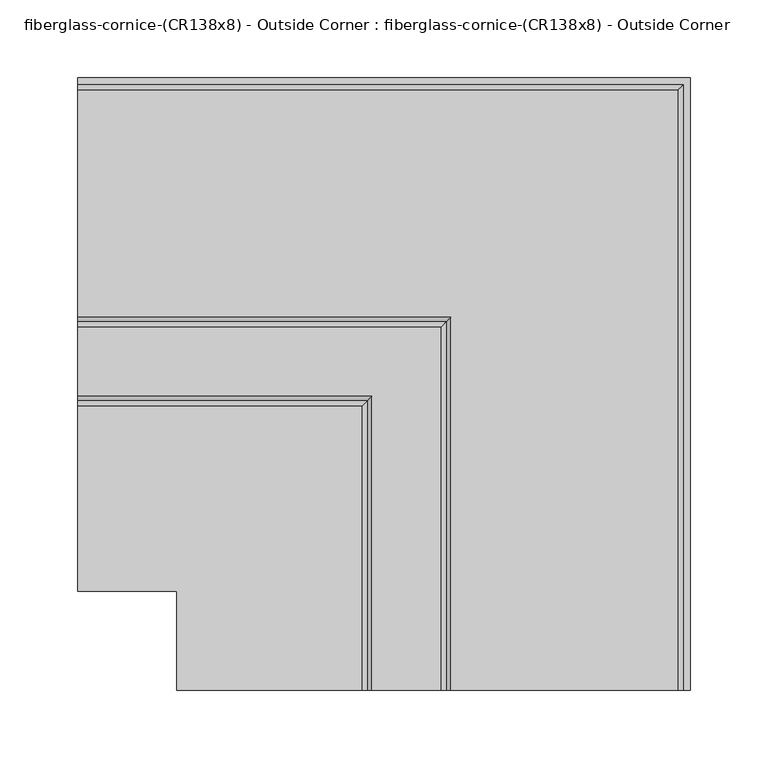
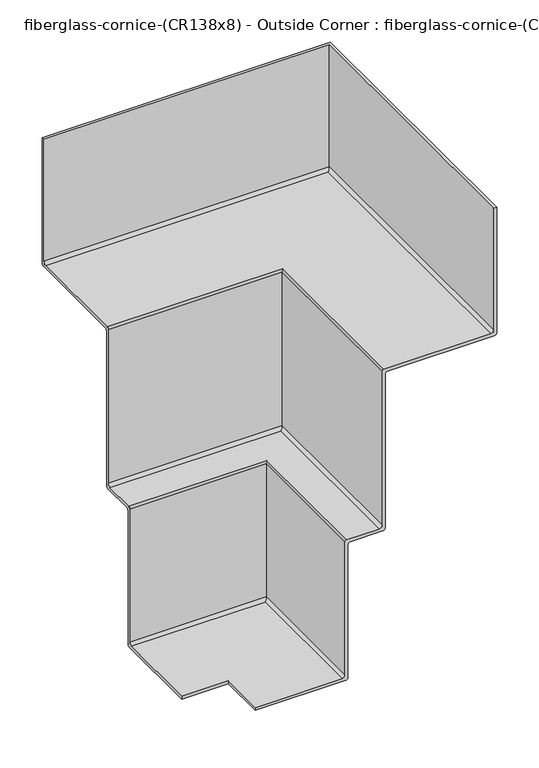
"""IFC4 building model written with IfcOpenShell, lengths in millimetres: furniture geometry, fiberglass-cornice-(CR138x8) - Outside Corner : fiberglass-cornice-(CR138x8) - Outside Corner."""

from ifc_helpers import new_model, si_unit, frame, origin, place, context, project, spatial, polyline, circle_curve, ellipse_curve, source, transform, mapped, element, save
from ifc_brep_helpers import plane_surface, cylinder_surface, revolved_surface, advanced_brep


def fiberglass_cornice_cr138x8_outside_corner_fiberglass_cornice_4a7a4df5(model_context):
    return source(origin(), model_context, "Body", "AdvancedBrep", [
        advanced_brep(
        [(-196.9488213, 431.7999867, 330.1999904), (-196.9488213, 431.7999867, 149.2249705), (-196.9488213, 428.6249963, 146.0499801), (-196.9488213, 282.5750199, 146.0499801), (-196.9488213, 279.3999997, 142.8749599), (-196.9488213, 279.3999997, -79.37501), (-196.9488213, 276.2249795, -82.5500302), (-196.9488213, 231.7749945, -82.5500302), (-196.9488213, 228.5999743, -85.7250504), (-196.9488213, 228.5999743, -277.8125273), (-196.9488213, 225.4249743, -280.9875272), (-196.9488213, 101.6, -280.9875272), (-196.9488213, 101.6, -276.8600271), (-196.9488213, 220.6624833, -276.8600271), (-196.9488213, 224.4724718, -273.0500386), (-196.9488213, 224.4724718, -80.9625797), (-196.9488213, 227.0125237, -78.4225278), (-196.9488213, 271.4624939, -78.4225278), (-196.9488213, 275.2724973, -74.6125244), (-196.9488213, 275.2724973, 147.6374902), (-196.9488213, 277.8124896, 150.1774825), (-196.9488213, 423.8624958, 150.1774825), (-196.9488213, 427.6724843, 153.987471), (-196.9488213, 427.6724843, 330.1999904), (196.8503841, 38.0007813, 330.1999904), (192.7228817, 38.0007813, 330.1999904), (192.7228817, 38.0007813, 153.987471), (188.9128932, 38.0007813, 150.1774825), (42.862887, 38.0007813, 150.1774825), (40.3228947, 38.0007813, 147.6374902), (40.3228947, 38.0007813, -74.6125244), (36.5128913, 38.0007813, -78.4225278), (-7.9370788, 38.0007813, -78.4225278), (-10.4771308, 38.0007813, -80.9625797), (-10.4771308, 38.0007813, -273.0500386), (-14.2871193, 38.0007813, -276.8600271), (-133.3496026, 38.0007813, -276.8600271), (-133.3496026, 38.0007813, -280.9875272), (-9.5246283, 38.0007813, -280.9875272), (-6.3496283, 38.0007813, -277.8125273), (-6.3496283, 38.0007813, -85.7250504), (-3.1746081, 38.0007813, -82.5500302), (41.2753769, 38.0007813, -82.5500302), (44.4503971, 38.0007813, -79.37501), (44.4503971, 38.0007813, 142.8749599), (47.6254173, 38.0007813, 146.0499801), (193.6753937, 38.0007813, 146.0499801), (196.8503841, 38.0007813, 149.2249705), (196.8503841, 431.7999867, 330.1999904), (196.8503841, 431.7999867, 149.2249705), (193.6753937, 428.6249963, 146.0499801), (47.6254173, 282.5750199, 146.0499801), (44.4503971, 279.3999997, 142.8749599), (44.4503971, 279.3999997, -79.37501), (41.2753769, 276.2249795, -82.5500302), (-3.1746081, 231.7749945, -82.5500302), (-6.3496283, 228.5999743, -85.7250504), (-6.3496283, 228.5999743, -277.8125273), (-9.5246283, 225.4249743, -280.9875272), (-133.3496026, 101.6, -280.9875272), (-133.3496026, 101.6, -276.8600271), (-14.2871193, 220.6624833, -276.8600271), (-10.4771308, 224.4724718, -273.0500386), (-10.4771308, 224.4724718, -80.9625797), (-7.9370788, 227.0125237, -78.4225278), (36.5128913, 271.4624939, -78.4225278), (40.3228947, 275.2724973, -74.6125244), (40.3228947, 275.2724973, 147.6374902), (42.862887, 277.8124896, 150.1774825), (188.9128932, 423.8624958, 150.1774825), (192.7228817, 427.6724843, 153.987471), (192.7228817, 427.6724843, 330.1999904)],
        [
            (0, 1),
            (1, 2, circle_curve(frame((-196.9488213, 428.6249963, 149.2249705), z_axis=(-1.0, 0.0, 0.0), x_axis=(0.0, 1.0, 0.0)), 3.1749904)),
            (2, 3),
            (3, 4, circle_curve(frame((-196.9488213, 282.5750199, 142.8749599), z_axis=(1.0, 0.0, 0.0), x_axis=(0.0, 1.0, 0.0)), 3.1750202)),
            (4, 5),
            (5, 6, circle_curve(frame((-196.9488213, 276.2249795, -79.37501), z_axis=(-1.0, 0.0, 0.0), x_axis=(0.0, 1.0, 0.0)), 3.1750202)),
            (6, 7),
            (7, 8, circle_curve(frame((-196.9488213, 231.7749945, -85.7250504), z_axis=(1.0, 0.0, 0.0), x_axis=(0.0, 1.0, 0.0)), 3.1750202)),
            (8, 9),
            (9, 10, circle_curve(frame((-196.9488213, 225.4249743, -277.8125273), z_axis=(-1.0, 0.0, 0.0), x_axis=(0.0, 1.0, 0.0)), 3.175)),
            (10, 11),
            (11, 12),
            (12, 13),
            (13, 14, circle_curve(frame((-196.9488213, 220.6624833, -273.0500386), z_axis=(1.0, 0.0, 0.0), x_axis=(0.0, 1.0, 0.0)), 3.8099885)),
            (14, 15),
            (15, 16, circle_curve(frame((-196.9488213, 227.0125237, -80.9625797), z_axis=(-1.0, 0.0, 0.0), x_axis=(0.0, 1.0, 0.0)), 2.5400519)),
            (16, 17),
            (17, 18, circle_curve(frame((-196.9488213, 271.4624939, -74.6125244), z_axis=(1.0, 0.0, 0.0), x_axis=(0.0, 1.0, 0.0)), 3.8100034)),
            (18, 19),
            (19, 20, circle_curve(frame((-196.9488213, 277.8124896, 147.6374902), z_axis=(-1.0, 0.0, 0.0), x_axis=(0.0, 1.0, 0.0)), 2.5399923)),
            (20, 21),
            (21, 22, circle_curve(frame((-196.9488213, 423.8624958, 153.987471), z_axis=(1.0, 0.0, 0.0), x_axis=(0.0, 1.0, 0.0)), 3.8099885)),
            (22, 23),
            (23, 0),
            (24, 25),
            (25, 26),
            (26, 27, circle_curve(frame((188.9128932, 38.0007813, 153.987471), z_axis=(0.0, 1.0, 0.0), x_axis=(1.0, 0.0, 0.0)), 3.8099885)),
            (27, 28),
            (28, 29, circle_curve(frame((42.862887, 38.0007813, 147.6374902), z_axis=(0.0, -1.0, 0.0), x_axis=(1.0, 0.0, 0.0)), 2.5399923)),
            (29, 30),
            (30, 31, circle_curve(frame((36.5128913, 38.0007813, -74.6125244), z_axis=(0.0, 1.0, 0.0), x_axis=(1.0, 0.0, 0.0)), 3.8100034)),
            (31, 32),
            (32, 33, circle_curve(frame((-7.9370788, 38.0007813, -80.9625797), z_axis=(0.0, -1.0, 0.0), x_axis=(1.0, 0.0, 0.0)), 2.5400519)),
            (33, 34),
            (34, 35, circle_curve(frame((-14.2871193, 38.0007813, -273.0500386), z_axis=(0.0, 1.0, 0.0), x_axis=(1.0, 0.0, 0.0)), 3.8099885)),
            (35, 36),
            (36, 37),
            (37, 38),
            (38, 39, circle_curve(frame((-9.5246283, 38.0007813, -277.8125273), z_axis=(0.0, -1.0, 0.0), x_axis=(1.0, 0.0, 0.0)), 3.175)),
            (39, 40),
            (40, 41, circle_curve(frame((-3.1746081, 38.0007813, -85.7250504), z_axis=(0.0, 1.0, 0.0), x_axis=(1.0, 0.0, 0.0)), 3.1750202)),
            (41, 42),
            (42, 43, circle_curve(frame((41.2753769, 38.0007813, -79.37501), z_axis=(0.0, -1.0, 0.0), x_axis=(1.0, 0.0, 0.0)), 3.1750202)),
            (43, 44),
            (44, 45, circle_curve(frame((47.6254173, 38.0007813, 142.8749599), z_axis=(0.0, 1.0, 0.0), x_axis=(1.0, 0.0, 0.0)), 3.1750202)),
            (45, 46),
            (46, 47, circle_curve(frame((193.6753937, 38.0007813, 149.2249705), z_axis=(0.0, -1.0, 0.0), x_axis=(1.0, 0.0, 0.0)), 3.1749904)),
            (47, 24),
            (0, 48),
            (48, 49),
            (49, 1),
            (49, 50, ellipse_curve(frame((193.6753937, 428.6249963, 149.2249705), z_axis=(-0.7071067811865563, 0.7071067811865387, 0.0), x_axis=(-0.7071067811865387, -0.7071067811865565, 0.0)), 4.4901145, 3.1749904)),
            (50, 2),
            (50, 46),
            (45, 51),
            (51, 3),
            (51, 52, ellipse_curve(frame((47.6254173, 282.5750199, 142.8749599), z_axis=(0.7071067811865563, -0.7071067811865387, 0.0), x_axis=(0.7071067811865387, 0.7071067811865565, 0.0)), 4.4901567, 3.1750202)),
            (52, 4),
            (52, 53),
            (53, 5),
            (53, 54, ellipse_curve(frame((41.2753769, 276.2249795, -79.37501), z_axis=(-0.7071067811865563, 0.7071067811865387, 0.0), x_axis=(-0.7071067811865387, -0.7071067811865565, 0.0)), 4.4901567, 3.1750202)),
            (54, 6),
            (54, 42),
            (41, 55),
            (55, 7),
            (55, 56, ellipse_curve(frame((-3.1746081, 231.7749945, -85.7250504), z_axis=(0.7071067811865563, -0.7071067811865387, 0.0), x_axis=(0.7071067811865387, 0.7071067811865565, 0.0)), 4.4901567, 3.1750202)),
            (56, 8),
            (56, 57),
            (57, 9),
            (57, 58, ellipse_curve(frame((-9.5246283, 225.4249743, -277.8125273), z_axis=(-0.7071067811865563, 0.7071067811865387, 0.0), x_axis=(-0.7071067811865387, -0.7071067811865565, 0.0)), 4.490128, 3.175)),
            (58, 10),
            (58, 38),
            (37, 59),
            (59, 11),
            (59, 60),
            (60, 12),
            (60, 36),
            (35, 61),
            (61, 13),
            (61, 62, ellipse_curve(frame((-14.2871193, 220.6624833, -273.0500386), z_axis=(0.7071067811865563, -0.7071067811865387, 0.0), x_axis=(0.7071067811865387, 0.7071067811865565, 0.0)), 5.3881374, 3.8099885)),
            (62, 14),
            (62, 63),
            (63, 15),
            (63, 64, ellipse_curve(frame((-7.9370788, 227.0125237, -80.9625797), z_axis=(-0.7071067811865563, 0.7071067811865387, 0.0), x_axis=(-0.7071067811865387, -0.7071067811865565, 0.0)), 3.5921759, 2.5400519)),
            (64, 16),
            (64, 32),
            (31, 65),
            (65, 17),
            (65, 66, ellipse_curve(frame((36.5128913, 271.4624939, -74.6125244), z_axis=(0.7071067811865563, -0.7071067811865387, 0.0), x_axis=(0.7071067811865387, 0.7071067811865565, 0.0)), 5.3881585, 3.8100034)),
            (66, 18),
            (66, 67),
            (67, 19),
            (67, 68, ellipse_curve(frame((42.862887, 277.8124896, 147.6374902), z_axis=(-0.7071067811865563, 0.7071067811865387, 0.0), x_axis=(-0.7071067811865387, -0.7071067811865565, 0.0)), 3.5920916, 2.5399923)),
            (68, 20),
            (68, 28),
            (27, 69),
            (69, 21),
            (69, 70, ellipse_curve(frame((188.9128932, 423.8624958, 153.987471), z_axis=(0.7071067811865563, -0.7071067811865387, 0.0), x_axis=(0.7071067811865387, 0.7071067811865565, 0.0)), 5.3881374, 3.8099885)),
            (70, 22),
            (70, 71),
            (71, 23),
            (71, 25),
            (24, 48),
            (47, 49),
            (44, 52),
            (43, 53),
            (40, 56),
            (39, 57),
            (34, 62),
            (33, 63),
            (30, 66),
            (29, 67),
            (26, 70),
        ],
        [
            plane_surface(frame((-196.9488213, 101.6, 330.1999904), z_axis=(-1.0, 0.0, 0.0), x_axis=(0.0, 0.0, 1.0))),
            plane_surface(frame((-133.3496026, 38.0007813, 330.1999904), z_axis=(0.0, -1.0, 0.0), x_axis=(0.0, 0.0, 1.0))),
            plane_surface(frame((-196.9488213, 431.7999867, 330.1999904), z_axis=(0.0, 1.0, 0.0), x_axis=(1.0, 0.0, 0.0))),
            cylinder_surface(frame((-196.9488213, 428.6249963, 149.2249705), z_axis=(-1.0, 0.0, 0.0), x_axis=(0.0, 1.0, 0.0)), 3.1749904),
            plane_surface(frame((-196.9488213, 428.6249963, 146.0499801), z_axis=(0.0, 0.0, -1.0), x_axis=(1.0, 0.0, 0.0))),
            revolved_surface(polyline([(50.80043755116017, 285.7500401, 142.8749599), (-196.9488213, 285.7500401, 142.8749599)]), (-196.9488213, 282.5750199, 142.8749599), (1.0, 0.0, 0.0)),
            plane_surface(frame((-196.9488213, 279.3999997, 142.8749599), z_axis=(0.0, 1.0, 0.0), x_axis=(1.0, 0.0, 0.0))),
            cylinder_surface(frame((-196.9488213, 276.2249795, -79.37501), z_axis=(-1.0, 0.0, 0.0), x_axis=(0.0, 1.0, 0.0)), 3.1750202),
            plane_surface(frame((-196.9488213, 276.2249795, -82.5500302), z_axis=(0.0, 0.0, -1.0), x_axis=(1.0, 0.0, 0.0))),
            revolved_surface(polyline([(0.0004121511601624661, 234.9500147, -85.7250504), (-196.9488213, 234.9500147, -85.7250504)]), (-196.9488213, 231.7749945, -85.7250504), (1.0, 0.0, 0.0)),
            plane_surface(frame((-196.9488213, 228.5999743, -85.7250504), z_axis=(0.0, 1.0, 0.0), x_axis=(1.0, 0.0, 0.0))),
            cylinder_surface(frame((-196.9488213, 225.4249743, -277.8125273), z_axis=(-1.0, 0.0, 0.0), x_axis=(0.0, 1.0, 0.0)), 3.175),
            plane_surface(frame((-196.9488213, 225.4249743, -280.9875272), z_axis=(0.0, 0.0, -1.0), x_axis=(1.0, 0.0, 0.0))),
            plane_surface(frame((-196.9488213, 101.6, -280.9875272), z_axis=(0.0, -1.0, 0.0), x_axis=(1.0, 0.0, 0.0))),
            plane_surface(frame((-196.9488213, 101.6, -276.8600271), z_axis=(0.0, 0.0, 1.0), x_axis=(1.0, 0.0, 0.0))),
            revolved_surface(polyline([(-10.477130799999998, 224.4724718, -273.0500386), (-196.9488213, 224.4724718, -273.0500386)]), (-196.9488213, 220.6624833, -273.0500386), (1.0, 0.0, 0.0)),
            plane_surface(frame((-196.9488213, 224.4724718, -273.0500386), z_axis=(0.0, -1.0, 0.0), x_axis=(1.0, 0.0, 0.0))),
            cylinder_surface(frame((-196.9488213, 227.0125237, -80.9625797), z_axis=(-1.0, 0.0, 0.0), x_axis=(0.0, 1.0, 0.0)), 2.5400519),
            plane_surface(frame((-196.9488213, 227.0125237, -78.4225278), z_axis=(0.0, 0.0, 1.0), x_axis=(1.0, 0.0, 0.0))),
            revolved_surface(polyline([(40.322894713457885, 275.27249730000005, -74.6125244), (-196.9488213, 275.27249730000005, -74.6125244)]), (-196.9488213, 271.4624939, -74.6125244), (1.0, 0.0, 0.0)),
            plane_surface(frame((-196.9488213, 275.2724973, -74.6125244), z_axis=(0.0, -1.0, 0.0), x_axis=(1.0, 0.0, 0.0))),
            cylinder_surface(frame((-196.9488213, 277.8124896, 147.6374902), z_axis=(-1.0, 0.0, 0.0), x_axis=(0.0, 1.0, 0.0)), 2.5399923),
            plane_surface(frame((-196.9488213, 277.8124896, 150.1774825), z_axis=(0.0, 0.0, 1.0), x_axis=(1.0, 0.0, 0.0))),
            revolved_surface(polyline([(192.7228817, 427.67248429999995, 153.987471), (-196.9488213, 427.67248429999995, 153.987471)]), (-196.9488213, 423.8624958, 153.987471), (1.0, 0.0, 0.0)),
            plane_surface(frame((-196.9488213, 427.6724843, 153.987471), z_axis=(0.0, -1.0, 0.0), x_axis=(1.0, 0.0, 0.0))),
            plane_surface(frame((-196.9488213, 427.6724843, 330.1999904), z_axis=(0.0, 0.0, 1.0), x_axis=(1.0, 0.0, 0.0))),
            plane_surface(frame((196.8503841, 431.7999867, 330.1999904), z_axis=(1.0, 0.0, 0.0), x_axis=(0.0, -1.0, 0.0))),
            cylinder_surface(frame((193.6753937, 101.6, 149.2249705), z_axis=(0.0, 1.0, 0.0), x_axis=(1.0, 0.0, 0.0)), 3.1749904),
            revolved_surface(polyline([(50.8004375, 38.0007813, 142.8749599), (50.8004375, 285.7500401511602, 142.8749599)]), (47.6254173, 101.6, 142.8749599), (0.0, -1.0, 0.0)),
            plane_surface(frame((44.4503971, 279.3999997, 142.8749599), z_axis=(1.0, 0.0, 0.0), x_axis=(0.0, -1.0, 0.0))),
            cylinder_surface(frame((41.2753769, 101.6, -79.37501), z_axis=(0.0, 1.0, 0.0), x_axis=(1.0, 0.0, 0.0)), 3.1750202),
            revolved_surface(polyline([(0.00041210000000013736, 38.0007813, -85.7250504), (0.00041210000000013736, 234.95001475116024, -85.7250504)]), (-3.1746081, 101.6, -85.7250504), (0.0, -1.0, 0.0)),
            plane_surface(frame((-6.3496283, 228.5999743, -85.7250504), z_axis=(1.0, 0.0, 0.0), x_axis=(0.0, -1.0, 0.0))),
            cylinder_surface(frame((-9.5246283, 101.6, -277.8125273), z_axis=(0.0, 1.0, 0.0), x_axis=(1.0, 0.0, 0.0)), 3.175),
            plane_surface(frame((-133.3496026, 101.6, -280.9875272), z_axis=(-1.0, 0.0, 0.0), x_axis=(0.0, -1.0, 0.0))),
            revolved_surface(polyline([(-10.477130800000001, 38.0007813, -273.0500386), (-10.477130800000001, 224.4724718, -273.0500386)]), (-14.2871193, 101.6, -273.0500386), (0.0, -1.0, 0.0)),
            plane_surface(frame((-10.4771308, 224.4724718, -273.0500386), z_axis=(-1.0, 0.0, 0.0), x_axis=(0.0, -1.0, 0.0))),
            cylinder_surface(frame((-7.9370788, 101.6, -80.9625797), z_axis=(0.0, 1.0, 0.0), x_axis=(1.0, 0.0, 0.0)), 2.5400519),
            revolved_surface(polyline([(40.3228947, 38.0007813, -74.6125244), (40.3228947, 275.272497313458, -74.6125244)]), (36.5128913, 101.6, -74.6125244), (0.0, -1.0, 0.0)),
            plane_surface(frame((40.3228947, 275.2724973, -74.6125244), z_axis=(-1.0, 0.0, 0.0), x_axis=(0.0, -1.0, 0.0))),
            cylinder_surface(frame((42.862887, 101.6, 147.6374902), z_axis=(0.0, 1.0, 0.0), x_axis=(1.0, 0.0, 0.0)), 2.5399923),
            revolved_surface(polyline([(192.72288170000002, 38.0007813, 153.987471), (192.72288170000002, 427.67248430000006, 153.987471)]), (188.9128932, 101.6, 153.987471), (0.0, -1.0, 0.0)),
            plane_surface(frame((192.7228817, 427.6724843, 153.987471), z_axis=(-1.0, 0.0, 0.0), x_axis=(0.0, -1.0, 0.0))),
        ],
        [
            (0, [[1, 2, 3, 4, 5, 6, 7, 8, 9, 10, 11, 12, 13, 14, 15, 16, 17, 18, 19, 20, 21, 22, 23, 24]]),
            (1, [[25, 26, 27, 28, 29, 30, 31, 32, 33, 34, 35, 36, 37, 38, 39, 40, 41, 42, 43, 44, 45, 46, 47, 48]]),
            (2, [[-1, 49, 50, 51]]),
            (3, [[-2, -51, 52, 53]]),
            (4, [[-3, -53, 54, -46, 55, 56]]),
            (5, [[-4, -56, 57, 58]]),
            (6, [[-5, -58, 59, 60]]),
            (7, [[-6, -60, 61, 62]]),
            (8, [[-7, -62, 63, -42, 64, 65]]),
            (9, [[-8, -65, 66, 67]]),
            (10, [[-9, -67, 68, 69]]),
            (11, [[-10, -69, 70, 71]]),
            (12, [[-11, -71, 72, -38, 73, 74]]),
            (13, [[-12, -74, 75, 76]]),
            (14, [[-13, -76, 77, -36, 78, 79]]),
            (15, [[-14, -79, 80, 81]]),
            (16, [[-15, -81, 82, 83]]),
            (17, [[-16, -83, 84, 85]]),
            (18, [[-17, -85, 86, -32, 87, 88]]),
            (19, [[-18, -88, 89, 90]]),
            (20, [[-19, -90, 91, 92]]),
            (21, [[-20, -92, 93, 94]]),
            (22, [[-21, -94, 95, -28, 96, 97]]),
            (23, [[-22, -97, 98, 99]]),
            (24, [[-23, -99, 100, 101]]),
            (25, [[-24, -101, 102, -25, 103, -49]]),
            (26, [[-50, -103, -48, 104]]),
            (27, [[-52, -104, -47, -54]]),
            (28, [[-57, -55, -45, 105]]),
            (29, [[-59, -105, -44, 106]]),
            (30, [[-61, -106, -43, -63]]),
            (31, [[-66, -64, -41, 107]]),
            (32, [[-68, -107, -40, 108]]),
            (33, [[-70, -108, -39, -72]]),
            (34, [[-75, -73, -37, -77]]),
            (35, [[-80, -78, -35, 109]]),
            (36, [[-82, -109, -34, 110]]),
            (37, [[-84, -110, -33, -86]]),
            (38, [[-89, -87, -31, 111]]),
            (39, [[-91, -111, -30, 112]]),
            (40, [[-93, -112, -29, -95]]),
            (41, [[-98, -96, -27, 113]]),
            (42, [[-100, -113, -26, -102]]),
        ],
    ),
    ])


if __name__ == "__main__":
    model = new_model("IFC4")
    model_context = context("Model", 3, world=origin())
    ifc_project = project(units=[si_unit("LENGTHUNIT", "METRE", prefix="MILLI")], contexts=[model_context])
    site = spatial("IfcSite", under=ifc_project)
    building = spatial("IfcBuilding", under=site)
    placement = place(None, origin())
    fiberglass_cornice_cr138x8_outside_corner_fiberglass_cornice_shape = fiberglass_cornice_cr138x8_outside_corner_fiberglass_cornice_4a7a4df5(model_context)
    element("IfcFurniture", 1, ObjectType="fiberglass-cornice-(CR138x8) - Outside Corner : fiberglass-cornice-(CR138x8) - Outside Corner", at=placement, inside=building, context=model_context, shape_type="MappedRepresentation", body=[
        mapped(fiberglass_cornice_cr138x8_outside_corner_fiberglass_cornice_shape, transform((0.0, 0.0, 0.0), x_axis=(1.0, 0.0, 0.0), y_axis=(0.0, 1.0, 0.0), z_axis=(0.0, 0.0, 1.0))),
    ])
    save(model, "model.ifc")
